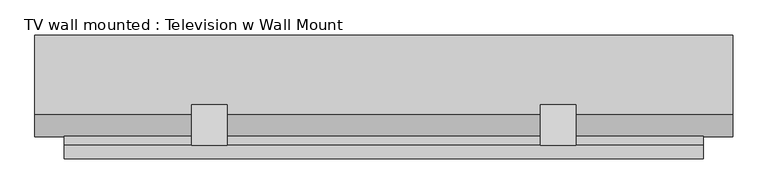
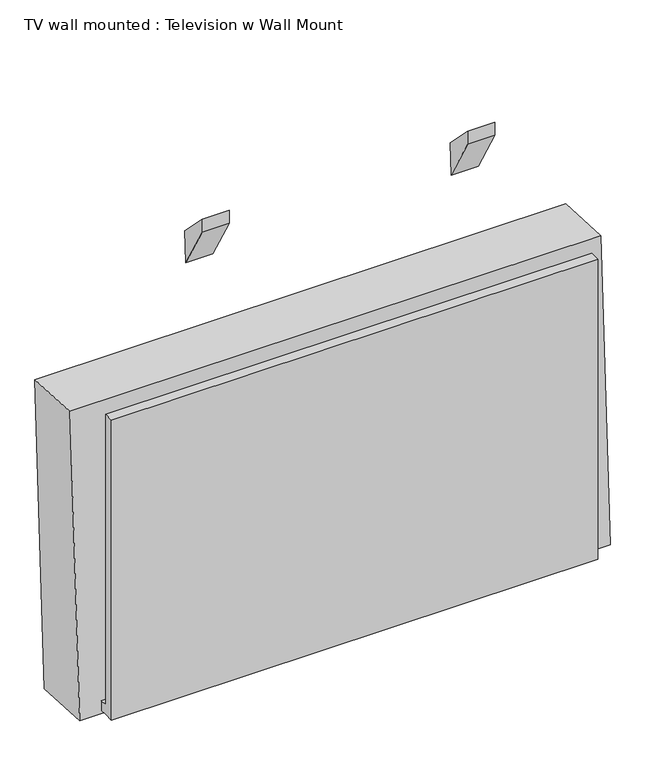
"""IFC4 building model written with IfcOpenShell, lengths in millimetres: proxy geometry, TV wall mounted : Television w Wall Mount."""

from ifc_helpers import new_model, si_unit, point, frame, frame_2d, origin, place, context, project, spatial, polyline, circle_curve, trimmed, segment, composite_curve, outline, extrude, source, transform, mapped, element, save
from ifc_brep_helpers import plane_surface, revolved_surface, advanced_brep


def tv_wall_mounted_television_w_wall_mount_3f21d5cc(model_context):
    return source(origin(), model_context, "Body", "SolidModel", [
        extrude(outline(composite_curve([segment(trimmed(circle_curve(frame_2d((0.0, -9.0037851)), 9.0037851), [point((0.0, -18.0075701))], [point((0.0, 0.0))], False, "CARTESIAN"), True, "CONTINUOUS"), segment(trimmed(circle_curve(frame_2d((0.0, -9.0037851)), 9.0037851), [point((0.0, 0.0))], [point((0.0, -18.0075701))], False, "CARTESIAN"), True, "CONTINUOUS")], self_intersect=False)), frame((-656.4331651, 240.5253505, 2466.195864), z_axis=(0.0, -0.9986295347545739, 0.05233595624294378), x_axis=(1.0, 0.0, 0.0)), (0.0, 0.0, 1.0), 3.175),
        extrude(outline(composite_curve([segment(trimmed(circle_curve(frame_2d((0.0, -9.0037851)), 9.0037851), [point((0.0, -18.0075701))], [point((0.0, 0.0))], False, "CARTESIAN"), True, "CONTINUOUS"), segment(trimmed(circle_curve(frame_2d((0.0, -9.0037851)), 9.0037851), [point((0.0, 0.0))], [point((0.0, -18.0075701))], False, "CARTESIAN"), True, "CONTINUOUS")], self_intersect=False)), frame((-675.4831651, 240.5253505, 2466.195864), z_axis=(0.0, -0.9986295347545739, 0.05233595624294378), x_axis=(1.0, 0.0, 0.0)), (0.0, 0.0, 1.0), 3.175),
        extrude(outline(polyline([(173.6866051, 3314.1378533), (170.4332889, 3252.0608808), (115.8875, 3346.5369584), (115.8875, 3371.9369584), (173.6866051, 3314.1378533)])), frame((-38.7151563, 0.0, 0.0), z_axis=(1.0, 0.0, 0.0), x_axis=(0.0, 1.0, 0.0)), (0.0, 0.0, 1.0), 50.8),
        extrude(outline(polyline([(173.6866051, 3314.1378533), (170.4332889, 3252.0608808), (115.8875, 3346.5369584), (115.8875, 3371.9369584), (173.6866051, 3314.1378533)])), frame((-537.7854688, 0.0, 0.0), z_axis=(1.0, 0.0, 0.0), x_axis=(0.0, 1.0, 0.0)), (0.0, 0.0, 1.0), 50.8),
        extrude(outline(polyline([(96.8375, 2451.1), (96.8375, 3048.0), (115.8875, 3048.0), (115.8875, 2470.15), (129.455076, 2470.15), (128.4567078, 2451.1), (115.8875, 2451.1), (96.8375, 2451.1)])), frame((-720.0503125, 0.0, 0.0), z_axis=(1.0, 0.0, 0.0), x_axis=(0.0, 1.0, 0.0)), (0.0, 0.0, 1.0), 914.4),
        extrude(outline(polyline([(0.0, -933.053125), (0.0, 0.0), (3.175, 0.0), (3.175, -933.053125), (0.0, -933.053125)])), frame((-729.376875, 237.7077838, 2473.0992385), z_axis=(0.0, 0.052335956242984656, 0.9986295347545718), x_axis=(0.0, 0.9986295347545718, -0.052335956242984656)), (0.0, 0.0, 1.0), 531.4488846),
        extrude(outline(polyline([(0.0, -933.053125), (0.0, 0.0), (76.2, 0.0), (76.2, -933.053125), (0.0, -933.053125)])), frame((-729.376875, 155.2709157, 2477.4195717), z_axis=(0.0, 0.052335956242941954, 0.998629534754574), x_axis=(0.0, 0.998629534754574, -0.052335956242941954)), (0.0, 0.0, 1.0), 531.4488846),
        extrude(outline(composite_curve([segment(trimmed(circle_curve(frame_2d((0.0, -9.0037851)), 9.0037851), [point((0.0, -18.0075701))], [point((0.0, 0.0))], False, "CARTESIAN"), True, "CONTINUOUS"), segment(trimmed(circle_curve(frame_2d((0.0, -9.0037851)), 9.0037851), [point((0.0, 0.0))], [point((0.0, -18.0075701))], False, "CARTESIAN"), True, "CONTINUOUS")], self_intersect=False)), frame((-694.5331651, 240.5253505, 2466.195864), z_axis=(0.0, -0.9986295347545739, 0.05233595624294378), x_axis=(1.0, 0.0, 0.0)), (0.0, 0.0, 1.0), 3.175),
        advanced_brep(
        [(-761.920625, 159.4228194, 3041.9686073), (-761.920625, 128.2025172, 2446.249755), (236.22, 128.2025172, 2446.249755), (236.22, 159.4228194, 3041.9686073), (-761.920625, 273.5661752, 3035.9866075), (236.22, 273.5661752, 3035.9866075), (236.22, 242.3458731, 2440.2677552), (-761.920625, 242.3458731, 2440.2677552), (-729.376875, 271.8629669, 3003.4874576), (-729.376875, 244.0490813, 2472.7669052), (203.67625, 244.0490813, 2472.7669052), (203.67625, 271.8629669, 3003.4874576), (-694.5331651, 242.907645, 2450.9870027), (-694.5331651, 243.5723117, 2463.6695978), (-675.4831651, 242.907645, 2450.9870027), (-675.4831651, 243.5723117, 2463.6695978), (-656.4331651, 242.907645, 2450.9870027), (-656.4331651, 243.5723117, 2463.6695978), (-729.376875, 183.0848013, 3008.1401241), (203.67625, 183.0848013, 3008.1401241), (203.67625, 155.2709157, 2477.4195717), (-729.376875, 155.2709157, 2477.4195717), (-694.5331651, 154.1294794, 2455.6396693), (-694.5331651, 154.794146, 2468.3222643), (-675.4831651, 154.1294794, 2455.6396693), (-675.4831651, 154.794146, 2468.3222643), (-656.4331651, 154.1294794, 2455.6396693), (-656.4331651, 154.794146, 2468.3222643)],
        [
            (0, 1),
            (1, 2),
            (2, 3),
            (3, 0),
            (4, 5),
            (5, 6),
            (6, 7),
            (7, 4),
            (8, 9),
            (9, 10),
            (10, 11),
            (11, 8),
            (12, 13, circle_curve(frame((-694.5331651, 243.2399783, 2457.3283003), z_axis=(0.0, -0.9986295347545739, 0.05233595624294378), x_axis=(0.0, 0.05233595624294378, 0.9986295347545739)), 6.35)),
            (13, 12, circle_curve(frame((-694.5331651, 243.2399783, 2457.3283003), z_axis=(0.0, -0.9986295347545739, 0.05233595624294378), x_axis=(0.0, 0.05233595624294378, 0.9986295347545739)), 6.35)),
            (14, 15, circle_curve(frame((-675.4831651, 243.2399783, 2457.3283003), z_axis=(0.0, -0.9986295347545739, 0.05233595624294378), x_axis=(0.0, 0.05233595624294378, 0.9986295347545739)), 6.35)),
            (15, 14, circle_curve(frame((-675.4831651, 243.2399783, 2457.3283003), z_axis=(0.0, -0.9986295347545739, 0.05233595624294378), x_axis=(0.0, 0.05233595624294378, 0.9986295347545739)), 6.35)),
            (16, 17, circle_curve(frame((-656.4331651, 243.2399783, 2457.3283003), z_axis=(0.0, -0.9986295347545739, 0.05233595624294378), x_axis=(0.0, 0.05233595624294378, 0.9986295347545739)), 6.35)),
            (17, 16, circle_curve(frame((-656.4331651, 243.2399783, 2457.3283003), z_axis=(0.0, -0.9986295347545739, 0.05233595624294378), x_axis=(0.0, 0.05233595624294378, 0.9986295347545739)), 6.35)),
            (0, 4),
            (7, 1),
            (6, 2),
            (5, 3),
            (18, 19),
            (19, 20),
            (20, 21),
            (21, 18),
            (21, 9),
            (8, 18),
            (20, 10),
            (19, 11),
            (22, 23, circle_curve(frame((-694.5331651, 154.4618127, 2461.9809668), z_axis=(0.0, 0.9986295347545739, -0.05233595624294378), x_axis=(0.0, 0.05233595624294378, 0.9986295347545739)), 6.35)),
            (23, 22, circle_curve(frame((-694.5331651, 154.4618127, 2461.9809668), z_axis=(0.0, 0.9986295347545739, -0.05233595624294378), x_axis=(0.0, 0.05233595624294378, 0.9986295347545739)), 6.35)),
            (24, 25, circle_curve(frame((-675.4831651, 154.4618127, 2461.9809668), z_axis=(0.0, 0.9986295347545739, -0.05233595624294378), x_axis=(0.0, 0.05233595624294378, 0.9986295347545739)), 6.35)),
            (25, 24, circle_curve(frame((-675.4831651, 154.4618127, 2461.9809668), z_axis=(0.0, 0.9986295347545739, -0.05233595624294378), x_axis=(0.0, 0.05233595624294378, 0.9986295347545739)), 6.35)),
            (26, 27, circle_curve(frame((-656.4331651, 154.4618127, 2461.9809668), z_axis=(0.0, 0.9986295347545739, -0.05233595624294378), x_axis=(0.0, 0.05233595624294378, 0.9986295347545739)), 6.35)),
            (27, 26, circle_curve(frame((-656.4331651, 154.4618127, 2461.9809668), z_axis=(0.0, 0.9986295347545739, -0.05233595624294378), x_axis=(0.0, 0.05233595624294378, 0.9986295347545739)), 6.35)),
            (23, 13),
            (12, 22),
            (25, 15),
            (14, 24),
            (27, 17),
            (16, 26),
        ],
        [
            plane_surface(frame((-761.920625, 159.4228194, 3041.9686073), z_axis=(0.0, -0.9986295347545739, 0.05233595624294378), x_axis=(0.0, -0.05233595624294378, -0.9986295347545739))),
            plane_surface(frame((-761.920625, 273.5661752, 3035.9866075), z_axis=(0.0, 0.9986295347545739, -0.05233595624294378), x_axis=(0.0, 0.05233595624294378, 0.9986295347545739))),
            plane_surface(frame((-761.920625, 159.4228194, 3041.9686073), z_axis=(-1.0000000000000002, 0.0, 0.0), x_axis=(0.0, 0.998629534754574, -0.05233595624294197))),
            plane_surface(frame((-761.920625, 128.2025172, 2446.249755), z_axis=(0.0, -0.05233595624294196, -0.998629534754574), x_axis=(0.0, 0.998629534754574, -0.05233595624294196))),
            plane_surface(frame((236.22, 128.2025172, 2446.249755), z_axis=(1.0000000000000002, 0.0, 0.0), x_axis=(0.0, 0.998629534754574, -0.05233595624294196))),
            plane_surface(frame((236.22, 159.4228194, 3041.9686073), z_axis=(0.0, 0.05233595624294197, 0.998629534754574), x_axis=(0.0, 0.998629534754574, -0.05233595624294197))),
            plane_surface(frame((-729.376875, 183.0848013, 3008.1401241), z_axis=(0.0, 0.9986295347545739, -0.05233595624294378), x_axis=(0.0, -0.05233595624294378, -0.9986295347545739))),
            plane_surface(frame((-729.376875, 183.0848013, 3008.1401241), z_axis=(1.0000000000000002, 0.0, 0.0), x_axis=(0.0, 0.998629534754574, -0.05233595624294197))),
            plane_surface(frame((-729.376875, 155.2709157, 2477.4195717), z_axis=(0.0, 0.05233595624294197, 0.998629534754574), x_axis=(0.0, 0.998629534754574, -0.05233595624294197))),
            plane_surface(frame((203.67625, 155.2709157, 2477.4195717), z_axis=(-1.0000000000000002, 0.0, 0.0), x_axis=(0.0, 0.998629534754574, -0.05233595624294197))),
            plane_surface(frame((203.67625, 183.0848013, 3008.1401241), z_axis=(0.0, -0.05233595624294197, -0.998629534754574), x_axis=(0.0, 0.998629534754574, -0.05233595624294197))),
            plane_surface(frame((-694.5331651, 154.794146, 2468.3222643), z_axis=(0.0, 0.9986295347545739, -0.05233595624294377), x_axis=(-1.0, 0.0, 0.0))),
            revolved_surface(polyline([(-694.5331651, 154.79414600286253, 2468.3222643546205), (-694.5331651, 243.5723117021748, 2463.6695978414978)]), (-694.5331651, 243.2399783, 2457.3283003), (0.0, -0.9986295347545739, 0.05233595624294378)),
            revolved_surface(polyline([(-675.4831651, 154.79414600299884, 2468.3222643572212), (-675.4831651, 243.57231170231108, 2463.669597844098)]), (-675.4831651, 129.0966225, 2463.3103001), (0.0, -0.9986295347545739, 0.05233595624294378)),
            revolved_surface(polyline([(-656.4331651, 154.79414600299884, 2468.3222643572212), (-656.4331651, 243.57231170231108, 2463.669597844098)]), (-656.4331651, 129.0966225, 2463.3103001), (0.0, -0.9986295347545739, 0.05233595624294378)),
        ],
        [
            (0, [[1, 2, 3, 4]]),
            (1, [[5, 6, 7, 8], [9, 10, 11, 12], [13, 14], [15, 16], [17, 18]]),
            (2, [[-1, 19, -8, 20]]),
            (3, [[-2, -20, -7, 21]]),
            (4, [[-3, -21, -6, 22]]),
            (5, [[-4, -22, -5, -19]]),
            (6, [[23, 24, 25, 26]]),
            (7, [[-26, 27, -9, 28]]),
            (8, [[-25, 29, -10, -27]]),
            (9, [[-24, 30, -11, -29]]),
            (10, [[-23, -28, -12, -30]]),
            (11, [[31, 32]]),
            (11, [[33, 34]]),
            (11, [[35, 36]]),
            (12, [[-32, 37, -13, 38]]),
            (12, [[-31, -38, -14, -37]]),
            (13, [[-34, 39, -15, 40]]),
            (13, [[-33, -40, -16, -39]]),
            (14, [[-36, 41, -17, 42]]),
            (14, [[-35, -42, -18, -41]]),
        ],
    ),
    ])


if __name__ == "__main__":
    model = new_model("IFC4")
    model_context = context("Model", 3, world=origin())
    ifc_project = project(units=[si_unit("LENGTHUNIT", "METRE", prefix="MILLI")], contexts=[model_context])
    site = spatial("IfcSite", under=ifc_project)
    building = spatial("IfcBuilding", under=site)
    placement = place(None, origin())
    tv_wall_mounted_television_w_wall_mount_shape = tv_wall_mounted_television_w_wall_mount_3f21d5cc(model_context)
    element("IfcBuildingElementProxy", 1, Name="TV wall mounted : Television w Wall Mount", ObjectType="TV wall mounted : Television w Wall Mount", at=placement, inside=building, context=model_context, shape_type="MappedRepresentation", body=[
        mapped(tv_wall_mounted_television_w_wall_mount_shape, transform((0.0, 0.0, 0.0), x_axis=(1.0, 0.0, 0.0), y_axis=(0.0, 1.0, 0.0), z_axis=(0.0, 0.0, 1.0))),
    ])
    save(model, "model.ifc")
